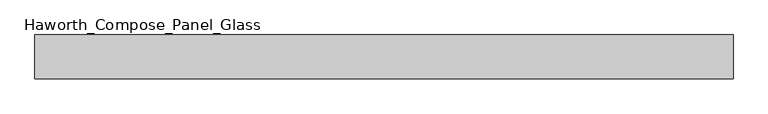
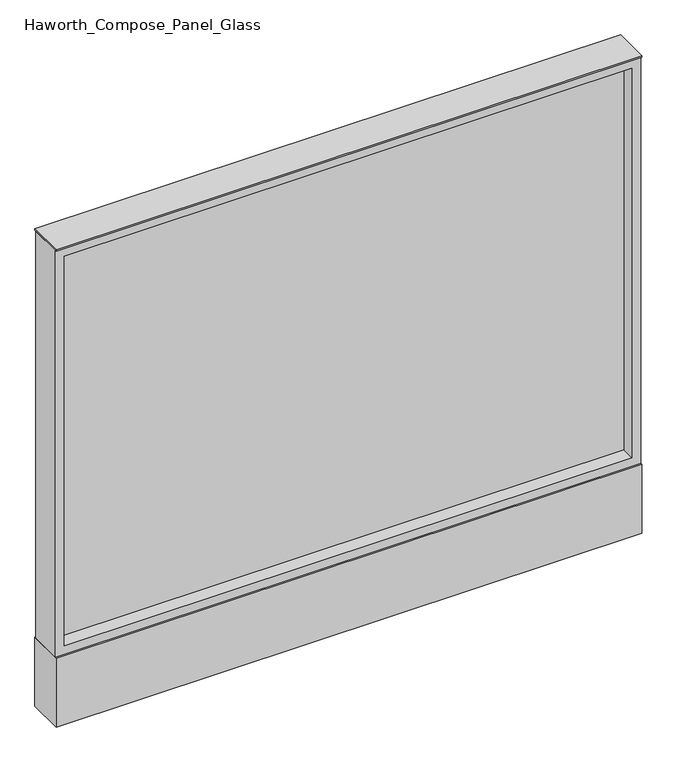
"""IFC4 building model written with IfcOpenShell, lengths in millimetres: furniture geometry, Haworth_Compose_Panel_Glass."""

from ifc_helpers import new_model, si_unit, point, frame, frame_2d, origin, origin_with_axes, place, context, project, spatial, polyline, circle_curve, trimmed, segment, composite_curve, outline, extrude, source, transform, mapped, element, save


def haworth_compose_panel_glass_f7abb398(model_context):
    return source(origin(), model_context, "Body", "SweptSolid", [
        extrude(outline(composite_curve([segment(trimmed(circle_curve(frame_2d((535.8402902, 0.0)), 12.7), [point((523.1402902, 0.0))], [point((548.5402902, 0.0))], False, "CARTESIAN"), True, "CONTINUOUS"), segment(trimmed(circle_curve(frame_2d((535.8402902, 0.0)), 12.7), [point((548.5402902, 0.0))], [point((523.1402902, 0.0))], False, "CARTESIAN"), True, "CONTINUOUS")], self_intersect=False)), origin_with_axes(), (0.0, 0.0, 1.0), 12.7),
        extrude(outline(composite_curve([segment(trimmed(circle_curve(frame_2d((-530.9597098, 0.0)), 12.7), [point((-543.6597098, 0.0))], [point((-518.2597098, 0.0))], False, "CARTESIAN"), True, "CONTINUOUS"), segment(trimmed(circle_curve(frame_2d((-530.9597098, 0.0)), 12.7), [point((-518.2597098, 0.0))], [point((-543.6597098, 0.0))], False, "CARTESIAN"), True, "CONTINUOUS")], self_intersect=False)), origin_with_axes(), (0.0, 0.0, 1.0), 12.7),
        extrude(outline(polyline([(592.9902902, -6.35), (-588.1097098, -6.35), (-588.1097098, 6.35), (592.9902902, 6.35), (592.9902902, -6.35)])), frame((0.0, 0.0, 184.15), z_axis=(0.0, 0.0, 1.0), x_axis=(1.0, 0.0, 0.0)), (0.0, 0.0, 1.0), 857.25),
        extrude(outline(polyline([(1060.45, -607.1597098), (165.1, -607.1597098), (165.1, 612.0402902), (1060.45, 612.0402902), (1060.45, -607.1597098)]), holes=[polyline([(1041.4, 592.9902902), (184.15, 592.9902902), (184.15, -588.1097098), (1041.4, -588.1097098), (1041.4, 592.9902902)])]), frame((0.0, -34.925, 0.0), z_axis=(0.0, 1.0, 0.0), x_axis=(0.0, 0.0, 1.0)), (0.0, 0.0, 1.0), 69.85),
        extrude(outline(polyline([(-607.1597098, 38.1), (612.0402902, 38.1), (612.0402902, -38.1), (-607.1597098, -38.1), (-607.1597098, 38.1)])), frame((0.0, 0.0, 12.7), z_axis=(0.0, 0.0, 1.0), x_axis=(1.0, 0.0, 0.0)), (0.0, 0.0, 1.0), 152.4),
        extrude(outline(polyline([(-607.1597098, -38.1), (-607.1597098, 38.1), (612.0402902, 38.1), (612.0402902, -38.1), (-607.1597098, -38.1)])), frame((0.0, 0.0, 1060.45), z_axis=(0.0, 0.0, 1.0), x_axis=(1.0, 0.0, 0.0)), (0.0, 0.0, 1.0), 3.175),
    ])


if __name__ == "__main__":
    model = new_model("IFC4")
    model_context = context("Model", 3, world=origin())
    ifc_project = project(units=[si_unit("LENGTHUNIT", "METRE", prefix="MILLI")], contexts=[model_context])
    site = spatial("IfcSite", under=ifc_project)
    building = spatial("IfcBuilding", under=site)
    placement = place(None, origin())
    haworth_compose_panel_glass_shape = haworth_compose_panel_glass_f7abb398(model_context)
    element("IfcFurniture", 1, ObjectType="Haworth_Compose_Panel_Glass", at=placement, inside=building, context=model_context, shape_type="MappedRepresentation", body=[
        mapped(haworth_compose_panel_glass_shape, transform((0.0, 0.0, 0.0), x_axis=(1.0, 0.0, 0.0), y_axis=(0.0, 1.0, 0.0), z_axis=(0.0, 0.0, 1.0))),
    ])
    save(model, "model.ifc")
